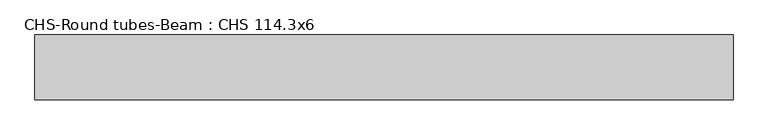
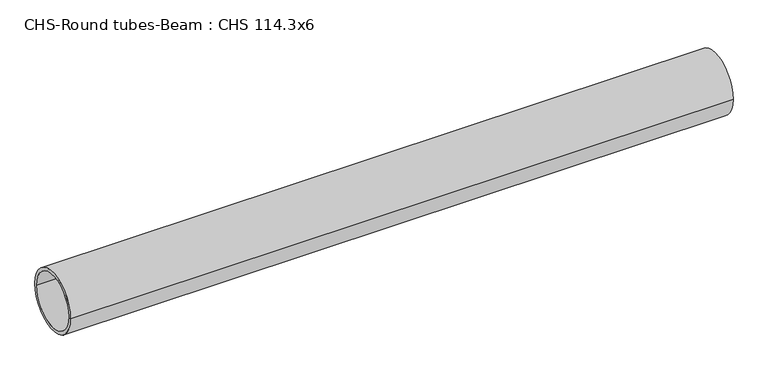
"""IFC4 building model written with IfcOpenShell, lengths in millimetres: beam geometry, CHS-Round tubes-Beam : CHS 114.3x6."""

from ifc_helpers import new_model, si_unit, point, frame, origin, origin_2d, place, context, project, spatial, circle_curve, trimmed, segment, composite_curve, outline, extrude, source, transform, mapped, element, save


def chs_round_tubes_beam_chs_114_3x6_d2da2996(model_context):
    return source(origin(), model_context, "Body", "SweptSolid", [
        extrude(outline(composite_curve([segment(trimmed(circle_curve(origin_2d(), 57.15), [point((57.15, 0.0))], [point((-57.15, 0.0))], False, "CARTESIAN"), True, "CONTINUOUS"), segment(trimmed(circle_curve(origin_2d(), 57.15), [point((-57.15, 0.0))], [point((57.15, 0.0))], False, "CARTESIAN"), True, "CONTINUOUS")], self_intersect=False), holes=[composite_curve([segment(trimmed(circle_curve(origin_2d(), 51.15), [point((51.15, 0.0))], [point((-51.15, 0.0))], True, "CARTESIAN"), True, "CONTINUOUS"), segment(trimmed(circle_curve(origin_2d(), 51.15), [point((-51.15, 0.0))], [point((51.15, 0.0))], True, "CARTESIAN"), True, "CONTINUOUS")], self_intersect=False)]), frame((-613.9088055, 0.0, 0.0), z_axis=(1.0, 0.0, 0.0), x_axis=(0.0, 1.0, 0.0)), (0.0, 0.0, 1.0), 1232.552662),
    ])


if __name__ == "__main__":
    model = new_model("IFC4")
    model_context = context("Model", 3, world=origin())
    ifc_project = project(units=[si_unit("LENGTHUNIT", "METRE", prefix="MILLI")], contexts=[model_context])
    site = spatial("IfcSite", under=ifc_project)
    building = spatial("IfcBuilding", under=site)
    placement = place(None, origin())
    chs_round_tubes_beam_chs_114_3x6_shape = chs_round_tubes_beam_chs_114_3x6_d2da2996(model_context)
    element("IfcBeam", 1, ObjectType="CHS-Round tubes-Beam : CHS 114.3x6", at=placement, inside=building, context=model_context, shape_type="MappedRepresentation", body=[
        mapped(chs_round_tubes_beam_chs_114_3x6_shape, transform((0.0, 0.0, 0.0), x_axis=(1.0, 0.0, 0.0), y_axis=(0.0, 1.0, 0.0), z_axis=(0.0, 0.0, 1.0))),
    ])
    save(model, "model.ifc")
